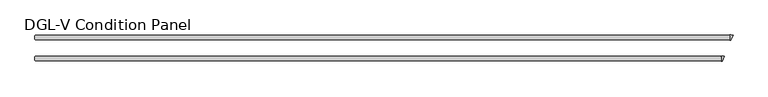
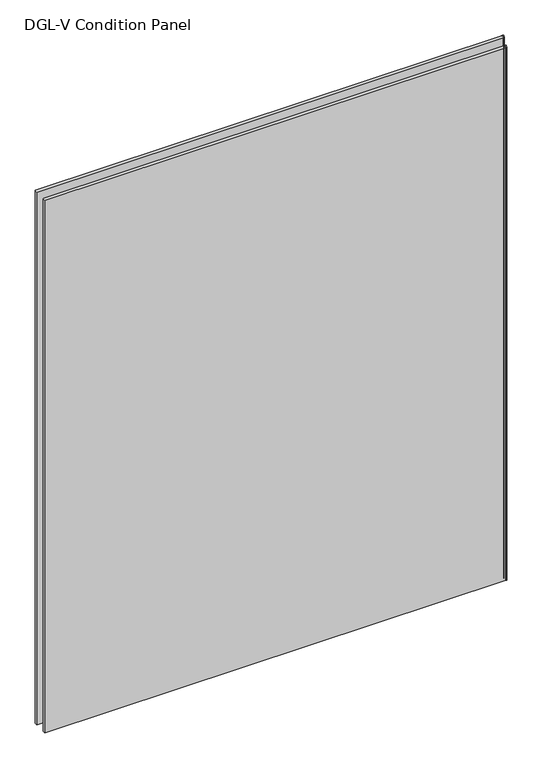
"""IFC4 building model written with IfcOpenShell, lengths in millimetres: plate geometry, DGL-V Condition Panel."""

from ifc_helpers import new_model, si_unit, point, frame_2d, origin, origin_with_axes, place, context, project, spatial, polyline, circle_curve, trimmed, segment, composite_curve, outline, extrude, source, transform, mapped, element, save


def dgl_v_condition_panel_7939d4f3(model_context):
    return source(origin(), model_context, "Body", "SweptSolid", [
        extrude(outline(composite_curve([segment(polyline([(950.4863514, -34.13125), (950.4863514, -24.60625), (948.4071437, -22.5270423)]), True, "CONTINUOUS"), segment(trimmed(circle_curve(frame_2d((948.6877767, -22.2464093)), 0.396875), [point((948.4071437, -22.5270423))], [point((948.6320095, -21.8534719))], False, "CARTESIAN"), True, "CONTINUOUS"), segment(trimmed(circle_curve(frame_2d((951.1150048, -39.3487385)), 17.6705863), [point((948.6320095, -21.8534719))], [point((957.8772454, -23.0232455))], False, "CARTESIAN"), True, "CONTINUOUS"), segment(polyline([(957.8772454, -23.0232455), (952.0302867, -37.1390526)]), True, "CONTINUOUS"), segment(trimmed(circle_curve(frame_2d((948.8851166, -44.732165)), 8.2187257), [point((952.0302867, -37.1390526))], [point((949.0524377, -36.5151427))], True, "CARTESIAN"), True, "CONTINUOUS"), segment(trimmed(circle_curve(frame_2d((949.0605175, -36.11835)), 0.396875), [point((949.0524377, -36.5151427))], [point((948.7798845, -35.8377169))], False, "CARTESIAN"), True, "CONTINUOUS"), segment(polyline([(948.7798845, -35.8377169), (950.4863514, -34.13125)]), True, "CONTINUOUS")], self_intersect=False)), origin_with_axes(), (0.0, 0.0, 1.0), 2339.4622278),
        extrude(outline(composite_curve([segment(polyline([(974.8162205, 24.60625), (974.8162205, 34.13125), (972.7370128, 36.2104577)]), True, "CONTINUOUS"), segment(trimmed(circle_curve(frame_2d((973.0176458, 36.4910907)), 0.396875), [point((972.7370128, 36.2104577))], [point((972.9618787, 36.8840281))], False, "CARTESIAN"), True, "CONTINUOUS"), segment(trimmed(circle_curve(frame_2d((975.4448739, 19.3887615)), 17.6705863), [point((972.9618787, 36.8840281))], [point((982.2071145, 35.7142545))], False, "CARTESIAN"), True, "CONTINUOUS"), segment(polyline([(982.2071145, 35.7142545), (976.3601558, 21.5984474)]), True, "CONTINUOUS"), segment(trimmed(circle_curve(frame_2d((973.2149857, 14.005335)), 8.2187257), [point((976.3601558, 21.5984474))], [point((973.3823068, 22.2223573))], True, "CARTESIAN"), True, "CONTINUOUS"), segment(trimmed(circle_curve(frame_2d((973.3903866, 22.61915)), 0.396875), [point((973.3823068, 22.2223573))], [point((973.1097536, 22.8997831))], False, "CARTESIAN"), True, "CONTINUOUS"), segment(polyline([(973.1097536, 22.8997831), (974.8162205, 24.60625)]), True, "CONTINUOUS")], self_intersect=False)), origin_with_axes(), (0.0, 0.0, 1.0), 2339.4622278),
        extrude(outline(polyline([(948.8988514, -23.01875), (950.4863514, -24.60625), (950.4863514, -34.13125), (948.8988514, -35.71875), (-965.9955162, -35.71875), (-967.5830162, -34.13125), (-967.5830162, -24.60625), (-965.9955162, -23.01875), (948.8988514, -23.01875)])), origin_with_axes(), (0.0, 0.0, 1.0), 2339.4622278),
        extrude(outline(polyline([(973.2287205, 35.71875), (974.8162205, 34.13125), (974.8162205, 24.60625), (973.2287205, 23.01875), (-965.9955162, 23.01875), (-967.5830162, 24.60625), (-967.5830162, 34.13125), (-965.9955162, 35.71875), (973.2287205, 35.71875)])), origin_with_axes(), (0.0, 0.0, 1.0), 2339.4622278),
    ])


if __name__ == "__main__":
    model = new_model("IFC4")
    model_context = context("Model", 3, world=origin())
    ifc_project = project(units=[si_unit("LENGTHUNIT", "METRE", prefix="MILLI")], contexts=[model_context])
    site = spatial("IfcSite", under=ifc_project)
    building = spatial("IfcBuilding", under=site)
    placement = place(None, origin())
    dgl_v_condition_panel_shape = dgl_v_condition_panel_7939d4f3(model_context)
    element("IfcPlate", 1, ObjectType="DGL-V Condition Panel", at=placement, inside=building, context=model_context, shape_type="MappedRepresentation", body=[
        mapped(dgl_v_condition_panel_shape, transform((0.0, 0.0, 0.0), x_axis=(1.0, 0.0, 0.0), y_axis=(0.0, 1.0, 0.0), z_axis=(0.0, 0.0, 1.0))),
    ])
    save(model, "model.ifc")
